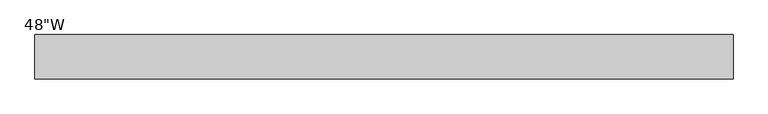
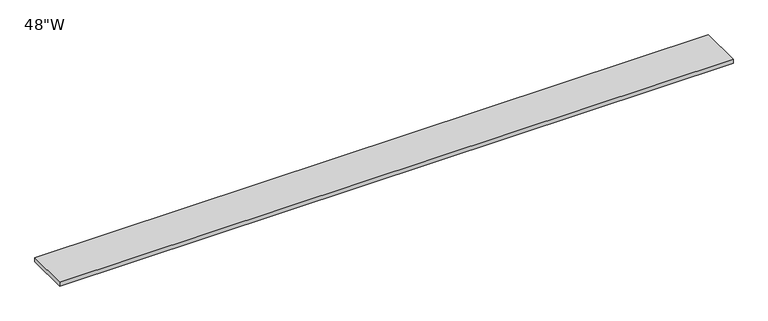
"""IFC4 building model written with IfcOpenShell, lengths in millimetres: furniture geometry."""

from ifc_helpers import new_model, si_unit, frame, origin, place, context, project, spatial, polyline, outline, extrude, source, transform, mapped, element, save


def furniture_1786279d(model_context):
    return source(origin(), model_context, "Body", "SweptSolid", [
        extrude(outline(polyline([(553.61205, 38.735), (553.61205, -38.735), (-665.58795, -38.735), (-665.58795, 38.735), (553.61205, 38.735)])), frame((0.0, 0.0, 1150.366), z_axis=(0.0, 0.0, 1.0), x_axis=(1.0, 0.0, 0.0)), (0.0, 0.0, 1.0), 6.858),
    ])


if __name__ == "__main__":
    model = new_model("IFC4")
    model_context = context("Model", 3, world=origin())
    ifc_project = project(units=[si_unit("LENGTHUNIT", "METRE", prefix="MILLI")], contexts=[model_context])
    site = spatial("IfcSite", under=ifc_project)
    building = spatial("IfcBuilding", under=site)
    placement = place(None, origin())
    furniture_shape = furniture_1786279d(model_context)
    element("IfcFurniture", 1, ObjectType="48\"W", at=placement, inside=building, context=model_context, shape_type="MappedRepresentation", body=[
        mapped(furniture_shape, transform((0.0, 0.0, 0.0), x_axis=(1.0, 0.0, 0.0), y_axis=(0.0, 1.0, 0.0), z_axis=(0.0, 0.0, 1.0))),
    ])
    save(model, "model.ifc")
